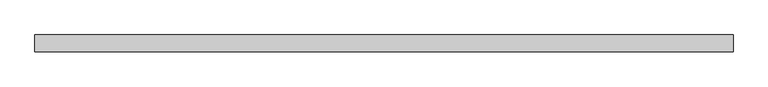
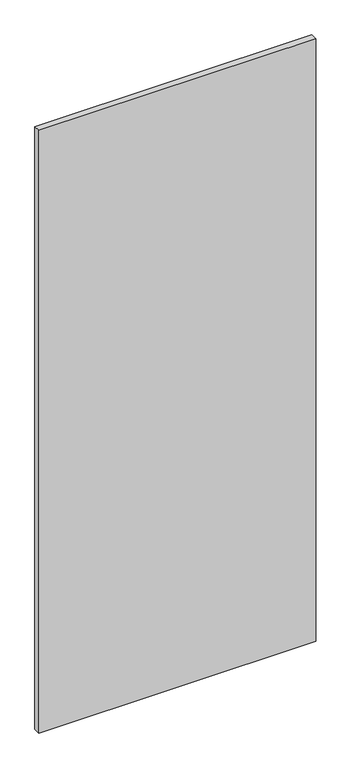
"""IFC4 building model written with IfcOpenShell, lengths in millimetres: plate geometry."""

from ifc_helpers import new_model, si_unit, origin, origin_with_axes, place, context, project, spatial, polyline, outline, extrude, source, transform, mapped, element, save


def plate_9a1f7436(model_context):
    return source(origin(), model_context, "Body", "SweptSolid", [
        extrude(outline(polyline([(522.5, -12.5), (-522.5, -12.5), (-522.5, 12.5), (522.5, 12.5), (522.5, -12.5)])), origin_with_axes(), (0.0, 0.0, 1.0), 2403.1629157),
    ])


if __name__ == "__main__":
    model = new_model("IFC4")
    model_context = context("Model", 3, world=origin())
    ifc_project = project(units=[si_unit("LENGTHUNIT", "METRE", prefix="MILLI")], contexts=[model_context])
    site = spatial("IfcSite", under=ifc_project)
    building = spatial("IfcBuilding", under=site)
    placement = place(None, origin())
    plate_shape = plate_9a1f7436(model_context)
    element("IfcPlate", 1, at=placement, inside=building, context=model_context, shape_type="MappedRepresentation", body=[
        mapped(plate_shape, transform((0.0, 0.0, 0.0), x_axis=(1.0, 0.0, 0.0), y_axis=(0.0, 1.0, 0.0), z_axis=(0.0, 0.0, 1.0))),
    ])
    save(model, "model.ifc")
